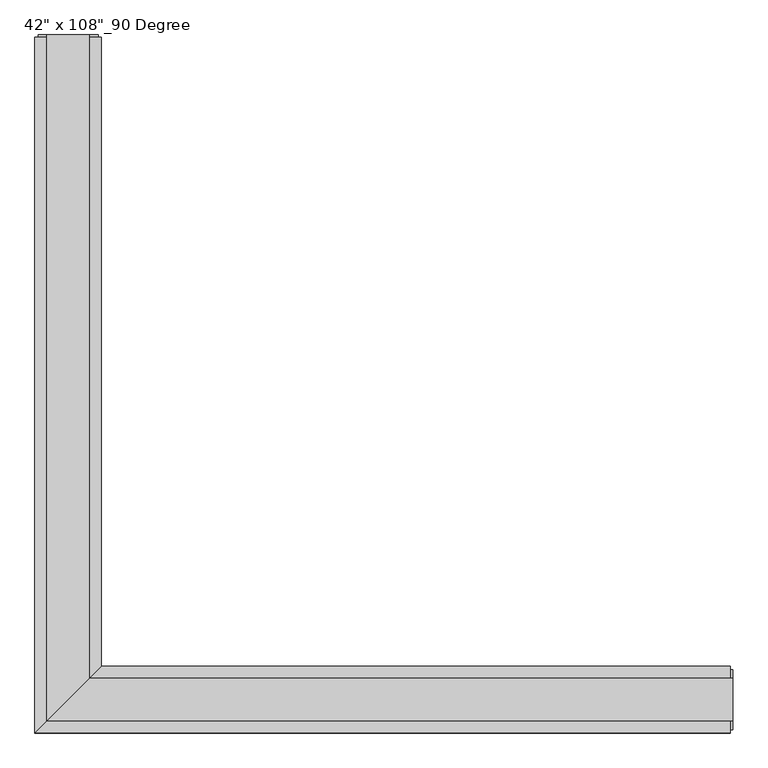
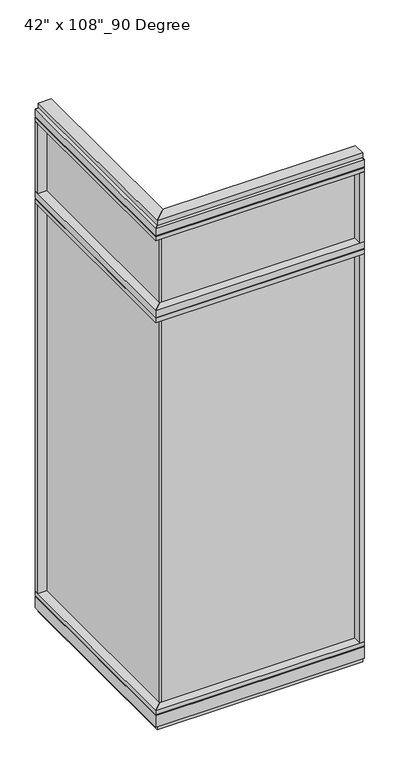
"""IFC4 building model written with IfcOpenShell, lengths in millimetres: furniture geometry."""

from ifc_helpers import new_model, si_unit, frame, origin, origin_with_axes, place, context, project, spatial, polyline, outline, extrude, faceted_brep, source, transform, mapped, element, save


def furniture_abf83f5b(model_context):
    return source(origin(), model_context, "Body", "SolidModel", [
        extrude(outline(polyline([(-547.7165229, 985.3202784), (-537.5565229, 985.3202784), (-537.5565229, -9.5977216), (-547.7165229, -9.5977216), (-547.7165229, 985.3202784)])), frame((0.0, 0.0, 2276.475), z_axis=(0.0, 0.0, 1.0), x_axis=(1.0, 0.0, 0.0)), (0.0, 0.0, 1.0), 355.6),
        extrude(outline(polyline([(-547.7165229, 985.3202784), (-537.5565229, 985.3202784), (-537.5565229, -9.5977216), (-547.7165229, -9.5977216), (-547.7165229, 985.3202784)])), frame((0.0, 0.0, 120.523), z_axis=(0.0, 0.0, 1.0), x_axis=(1.0, 0.0, 0.0)), (0.0, 0.0, 1.0), 2114.677),
        extrude(outline(polyline([(-491.8365229, 1007.5452784), (-491.8365229, 46.2822784), (-593.4365229, -55.3177216), (-593.4365229, 1007.5452784), (-491.8365229, 1007.5452784)])), frame((0.0, 0.0, 2212.975), z_axis=(0.0, 0.0, 1.0), x_axis=(1.0, 0.0, 0.0)), (0.0, 0.0, 1.0), 22.225),
        faceted_brep([(-491.8365229, 46.2822784, 2240.153), (-491.8365229, 46.2822784, 2276.475), (-593.4365229, -55.3177216, 2276.475), (-593.4365229, -55.3177216, 2240.153), (-588.4835229, -50.3647216, 2240.153), (-588.4835229, -50.3647216, 2235.2), (-496.7895229, 41.3292784, 2235.2), (-496.7895229, 41.3292784, 2240.153), (-491.8365229, 1007.5452784, 2240.153), (-496.7895229, 1007.5452784, 2240.153), (-496.7895229, 1007.5452784, 2235.2), (-588.4835229, 1007.5452784, 2235.2), (-588.4835229, 1007.5452784, 2240.153), (-593.4365229, 1007.5452784, 2240.153), (-593.4365229, 1007.5452784, 2276.475), (-491.8365229, 1007.5452784, 2276.475)], [[[0, 1, 2, 3, 4, 5, 6, 7]], [[8, 9, 10, 11, 12, 13, 14, 15]], [[8, 0, 7, 9]], [[13, 3, 2, 14]], [[14, 2, 1, 15]], [[15, 1, 0, 8]], [[9, 7, 6, 10]], [[10, 6, 5, 11]], [[11, 5, 4, 12]], [[12, 4, 3, 13]]]),
        extrude(outline(polyline([(-593.4365229, 985.3202784), (-593.4365229, 1007.5452784), (-491.8365229, 1007.5452784), (-491.8365229, 985.3202784), (-593.4365229, 985.3202784)])), frame((0.0, 0.0, 2276.475), z_axis=(0.0, 0.0, 1.0), x_axis=(1.0, 0.0, 0.0)), (0.0, 0.0, 1.0), 377.825),
        extrude(outline(polyline([(-491.8365229, 1007.5452784), (-491.8365229, 46.2822784), (-593.4365229, -55.3177216), (-593.4365229, 1007.5452784), (-491.8365229, 1007.5452784)])), frame((0.0, 0.0, 2654.3), z_axis=(0.0, 0.0, 1.0), x_axis=(1.0, 0.0, 0.0)), (0.0, 0.0, 1.0), 22.225),
        faceted_brep([(-491.8365229, 46.2822784, 2681.478), (-491.8365229, 46.2822784, 2717.8), (-593.4365229, -55.3177216, 2717.8), (-593.4365229, -55.3177216, 2681.478), (-588.4835229, -50.3647216, 2681.478), (-588.4835229, -50.3647216, 2676.525), (-496.7895229, 41.3292784, 2676.525), (-496.7895229, 41.3292784, 2681.478), (-491.8365229, 1007.5452784, 2681.478), (-496.7895229, 1007.5452784, 2681.478), (-496.7895229, 1007.5452784, 2676.525), (-588.4835229, 1007.5452784, 2676.525), (-588.4835229, 1007.5452784, 2681.478), (-593.4365229, 1007.5452784, 2681.478), (-593.4365229, 1007.5452784, 2717.8), (-491.8365229, 1007.5452784, 2717.8)], [[[0, 1, 2, 3, 4, 5, 6, 7]], [[8, 9, 10, 11, 12, 13, 14, 15]], [[8, 0, 7, 9]], [[13, 3, 2, 14]], [[14, 2, 1, 15]], [[15, 1, 0, 8]], [[9, 7, 6, 10]], [[10, 6, 5, 11]], [[11, 5, 4, 12]], [[12, 4, 3, 13]]]),
        extrude(outline(polyline([(-510.1245229, 1011.4822784), (-510.1245229, 27.9942784), (-575.1485229, -37.0297216), (-575.1485229, 1011.4822784), (-510.1245229, 1011.4822784)])), frame((0.0, 0.0, 2717.8), z_axis=(0.0, 0.0, 1.0), x_axis=(1.0, 0.0, 0.0)), (0.0, 0.0, 1.0), 25.4),
        faceted_brep([(-496.7895229, 41.3292784, 93.345), (-496.7895229, 41.3292784, 98.298), (-588.4835229, -50.3647216, 98.298), (-588.4835229, -50.3647216, 93.345), (-593.4365229, -55.3177216, 93.345), (-593.4365229, -55.3177216, 31.75), (-491.8365229, 46.2822784, 31.75), (-491.8365229, 46.2822784, 93.345), (-491.8365229, 1007.5452784, 93.345), (-491.8365229, 1007.5452784, 31.75), (-593.4365229, 1007.5452784, 31.75), (-593.4365229, 1007.5452784, 93.345), (-588.4835229, 1007.5452784, 93.345), (-588.4835229, 1007.5452784, 98.298), (-496.7895229, 1007.5452784, 98.298), (-496.7895229, 1007.5452784, 93.345)], [[[0, 1, 2, 3, 4, 5, 6, 7]], [[8, 9, 10, 11, 12, 13, 14, 15]], [[15, 0, 7, 8]], [[10, 5, 4, 11]], [[9, 6, 5, 10]], [[8, 7, 6, 9]], [[14, 1, 0, 15]], [[13, 2, 1, 14]], [[12, 3, 2, 13]], [[11, 4, 3, 12]]]),
        extrude(outline(polyline([(-491.8365229, 1007.5452784), (-491.8365229, 46.2822784), (-593.4365229, -55.3177216), (-593.4365229, 1007.5452784), (-491.8365229, 1007.5452784)])), frame((0.0, 0.0, 98.298), z_axis=(0.0, 0.0, 1.0), x_axis=(1.0, 0.0, 0.0)), (0.0, 0.0, 1.0), 22.225),
        extrude(outline(polyline([(-510.1245229, 1011.4822784), (-510.1245229, 27.9942784), (-575.1485229, -37.0297216), (-575.1485229, 1011.4822784), (-510.1245229, 1011.4822784)])), origin_with_axes(), (0.0, 0.0, 1.0), 31.75),
        extrude(outline(polyline([(-593.4365229, 985.3202784), (-593.4365229, 1007.5452784), (-491.8365229, 1007.5452784), (-491.8365229, 985.3202784), (-593.4365229, 985.3202784)])), frame((0.0, 0.0, 120.523), z_axis=(0.0, 0.0, 1.0), x_axis=(1.0, 0.0, 0.0)), (0.0, 0.0, 1.0), 2092.452),
        extrude(outline(polyline([(-588.4835229, 1011.4822784), (-496.7895229, 1011.4822784), (-496.7895229, 1007.5452784), (-588.4835229, 1007.5452784), (-588.4835229, 1011.4822784)])), frame((0.0, 0.0, 31.75), z_axis=(0.0, 0.0, 1.0), x_axis=(1.0, 0.0, 0.0)), (0.0, 0.0, 1.0), 2686.05),
        extrude(outline(polyline([(447.2014771, -9.5977216), (-547.7165229, -9.5977216), (-547.7165229, 0.5622784), (447.2014771, 0.5622784), (447.2014771, -9.5977216)])), frame((0.0, 0.0, 2276.475), z_axis=(0.0, 0.0, 1.0), x_axis=(1.0, 0.0, 0.0)), (0.0, 0.0, 1.0), 355.6),
        extrude(outline(polyline([(447.2014771, -9.5977216), (-547.7165229, -9.5977216), (-547.7165229, 0.5622784), (447.2014771, 0.5622784), (447.2014771, -9.5977216)])), frame((0.0, 0.0, 120.523), z_axis=(0.0, 0.0, 1.0), x_axis=(1.0, 0.0, 0.0)), (0.0, 0.0, 1.0), 2114.677),
        extrude(outline(polyline([(469.4264771, 46.2822784), (469.4264771, -55.3177216), (-593.4365229, -55.3177216), (-491.8365229, 46.2822784), (469.4264771, 46.2822784)])), frame((0.0, 0.0, 2212.975), z_axis=(0.0, 0.0, 1.0), x_axis=(1.0, 0.0, 0.0)), (0.0, 0.0, 1.0), 22.225),
        faceted_brep([(-491.8365229, 46.2822784, 2240.153), (-496.7895229, 41.3292784, 2240.153), (-496.7895229, 41.3292784, 2235.2), (-588.4835229, -50.3647216, 2235.2), (-588.4835229, -50.3647216, 2240.153), (-593.4365229, -55.3177216, 2240.153), (-593.4365229, -55.3177216, 2276.475), (-491.8365229, 46.2822784, 2276.475), (469.4264771, 46.2822784, 2240.153), (469.4264771, 46.2822784, 2276.475), (469.4264771, -55.3177216, 2276.475), (469.4264771, -55.3177216, 2240.153), (469.4264771, -50.3647216, 2240.153), (469.4264771, -50.3647216, 2235.2), (469.4264771, 41.3292784, 2235.2), (469.4264771, 41.3292784, 2240.153)], [[[0, 1, 2, 3, 4, 5, 6, 7]], [[8, 9, 10, 11, 12, 13, 14, 15]], [[8, 15, 1, 0]], [[11, 10, 6, 5]], [[10, 9, 7, 6]], [[9, 8, 0, 7]], [[15, 14, 2, 1]], [[14, 13, 3, 2]], [[13, 12, 4, 3]], [[12, 11, 5, 4]]]),
        extrude(outline(polyline([(447.2014771, -55.3177216), (447.2014771, 46.2822784), (469.4264771, 46.2822784), (469.4264771, -55.3177216), (447.2014771, -55.3177216)])), frame((0.0, 0.0, 2276.475), z_axis=(0.0, 0.0, 1.0), x_axis=(1.0, 0.0, 0.0)), (0.0, 0.0, 1.0), 377.825),
        extrude(outline(polyline([(469.4264771, 46.2822784), (469.4264771, -55.3177216), (-593.4365229, -55.3177216), (-491.8365229, 46.2822784), (469.4264771, 46.2822784)])), frame((0.0, 0.0, 2654.3), z_axis=(0.0, 0.0, 1.0), x_axis=(1.0, 0.0, 0.0)), (0.0, 0.0, 1.0), 22.225),
        faceted_brep([(-491.8365229, 46.2822784, 2681.478), (-496.7895229, 41.3292784, 2681.478), (-496.7895229, 41.3292784, 2676.525), (-588.4835229, -50.3647216, 2676.525), (-588.4835229, -50.3647216, 2681.478), (-593.4365229, -55.3177216, 2681.478), (-593.4365229, -55.3177216, 2717.8), (-491.8365229, 46.2822784, 2717.8), (469.4264771, 46.2822784, 2681.478), (469.4264771, 46.2822784, 2717.8), (469.4264771, -55.3177216, 2717.8), (469.4264771, -55.3177216, 2681.478), (469.4264771, -50.3647216, 2681.478), (469.4264771, -50.3647216, 2676.525), (469.4264771, 41.3292784, 2676.525), (469.4264771, 41.3292784, 2681.478)], [[[0, 1, 2, 3, 4, 5, 6, 7]], [[8, 9, 10, 11, 12, 13, 14, 15]], [[8, 15, 1, 0]], [[11, 10, 6, 5]], [[10, 9, 7, 6]], [[9, 8, 0, 7]], [[15, 14, 2, 1]], [[14, 13, 3, 2]], [[13, 12, 4, 3]], [[12, 11, 5, 4]]]),
        extrude(outline(polyline([(473.3634771, 27.9942784), (473.3634771, -37.0297216), (-575.1485229, -37.0297216), (-510.1245229, 27.9942784), (473.3634771, 27.9942784)])), frame((0.0, 0.0, 2717.8), z_axis=(0.0, 0.0, 1.0), x_axis=(1.0, 0.0, 0.0)), (0.0, 0.0, 1.0), 25.4),
        faceted_brep([(-496.7895229, 41.3292784, 93.345), (-491.8365229, 46.2822784, 93.345), (-491.8365229, 46.2822784, 31.75), (-593.4365229, -55.3177216, 31.75), (-593.4365229, -55.3177216, 93.345), (-588.4835229, -50.3647216, 93.345), (-588.4835229, -50.3647216, 98.298), (-496.7895229, 41.3292784, 98.298), (469.4264771, 46.2822784, 93.345), (469.4264771, 41.3292784, 93.345), (469.4264771, 41.3292784, 98.298), (469.4264771, -50.3647216, 98.298), (469.4264771, -50.3647216, 93.345), (469.4264771, -55.3177216, 93.345), (469.4264771, -55.3177216, 31.75), (469.4264771, 46.2822784, 31.75)], [[[0, 1, 2, 3, 4, 5, 6, 7]], [[8, 9, 10, 11, 12, 13, 14, 15]], [[9, 8, 1, 0]], [[14, 13, 4, 3]], [[15, 14, 3, 2]], [[8, 15, 2, 1]], [[10, 9, 0, 7]], [[11, 10, 7, 6]], [[12, 11, 6, 5]], [[13, 12, 5, 4]]]),
        extrude(outline(polyline([(469.4264771, 46.2822784), (469.4264771, -55.3177216), (-593.4365229, -55.3177216), (-491.8365229, 46.2822784), (469.4264771, 46.2822784)])), frame((0.0, 0.0, 98.298), z_axis=(0.0, 0.0, 1.0), x_axis=(1.0, 0.0, 0.0)), (0.0, 0.0, 1.0), 22.225),
        extrude(outline(polyline([(473.3634771, 27.9942784), (473.3634771, -37.0297216), (-575.1485229, -37.0297216), (-510.1245229, 27.9942784), (473.3634771, 27.9942784)])), origin_with_axes(), (0.0, 0.0, 1.0), 31.75),
        extrude(outline(polyline([(447.2014771, -55.3177216), (447.2014771, 46.2822784), (469.4264771, 46.2822784), (469.4264771, -55.3177216), (447.2014771, -55.3177216)])), frame((0.0, 0.0, 120.523), z_axis=(0.0, 0.0, 1.0), x_axis=(1.0, 0.0, 0.0)), (0.0, 0.0, 1.0), 2092.452),
        extrude(outline(polyline([(473.3634771, -50.3647216), (469.4264771, -50.3647216), (469.4264771, 41.3292784), (473.3634771, 41.3292784), (473.3634771, -50.3647216)])), frame((0.0, 0.0, 31.75), z_axis=(0.0, 0.0, 1.0), x_axis=(1.0, 0.0, 0.0)), (0.0, 0.0, 1.0), 2686.05),
    ])


if __name__ == "__main__":
    model = new_model("IFC4")
    model_context = context("Model", 3, world=origin())
    ifc_project = project(units=[si_unit("LENGTHUNIT", "METRE", prefix="MILLI")], contexts=[model_context])
    site = spatial("IfcSite", under=ifc_project)
    building = spatial("IfcBuilding", under=site)
    placement = place(None, origin())
    furniture_shape = furniture_abf83f5b(model_context)
    element("IfcFurniture", 1, ObjectType="42\" x 108\"_90 Degree", at=placement, inside=building, context=model_context, shape_type="MappedRepresentation", body=[
        mapped(furniture_shape, transform((0.0, 0.0, 0.0), x_axis=(1.0, 0.0, 0.0), y_axis=(0.0, 1.0, 0.0), z_axis=(0.0, 0.0, 1.0))),
    ])
    save(model, "model.ifc")
